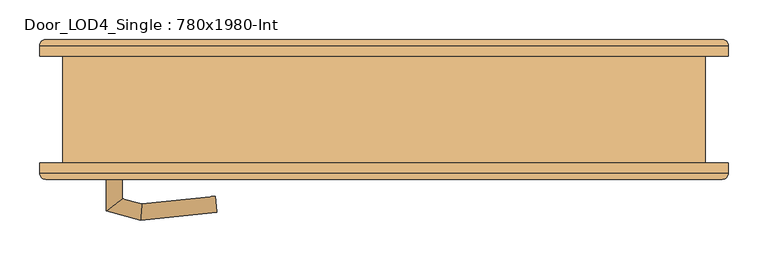
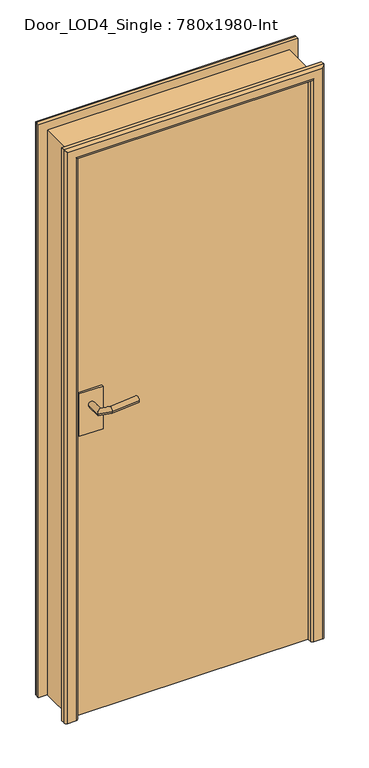
"""IFC4 building model written with IfcOpenShell, lengths in millimetres: door geometry, Door_LOD4_Single : 780x1980-Int."""

from ifc_helpers import new_model, si_unit, frame, origin, origin_with_axes, place, context, project, spatial, polyline, circle_curve, ellipse_curve, outline, extrude, faceted_brep, source, transform, mapped, element, save
from ifc_brep_helpers import plane_surface, cylinder_surface, advanced_brep


def door_lod4_single_780x1980_int_ee7e0fd7(model_context):
    return source(origin(), model_context, "Body", "SolidModel", [
        extrude(outline(polyline([(390.0000156, -27.5), (390.0000156, -67.5), (-390.0000156, -67.5), (-390.0000156, -27.5), (390.0000156, -27.5)])), origin_with_axes(), (0.0, 0.0, 1.0), 1980.0000793),
        advanced_brep(
        [(-350.0000156, -19.5, 1090.0000396), (-330.0000156, -19.5, 1090.0000396), (-350.0000156, 33.1732699, 1090.0000396), (-330.0000156, 17.8267301, 1090.0000396), (-306.9904237, 44.6976553, 1090.0000396), (-305.3947997, 24.4196778, 1090.0000396), (-210.6930713, 34.5736521, 1090.0000396), (-212.7842011, 14.6832731, 1090.0000396)],
        [
            (0, 1, circle_curve(frame((-340.0000156, -19.5, 1090.0000396), z_axis=(0.0, -1.0, 0.0), x_axis=(1.0, 0.0, 0.0)), 10.0)),
            (1, 0, circle_curve(frame((-340.0000156, -19.5, 1090.0000396), z_axis=(0.0, -1.0, 0.0), x_axis=(1.0, 0.0, 0.0)), 10.0)),
            (0, 2),
            (2, 3, ellipse_curve(frame((-340.0000156, 25.5, 1090.0000396), z_axis=(-0.6087614290087403, -0.79335334029122, 0.0), x_axis=(0.7933533402912198, -0.6087614290087406, 0.0)), 12.6047241, 10.0)),
            (3, 1),
            (3, 2, ellipse_curve(frame((-340.0000156, 25.5, 1090.0000396), z_axis=(-0.6087614290087403, -0.79335334029122, 0.0), x_axis=(0.7933533402912198, -0.6087614290087406, 0.0)), 12.6047241, 10.0)),
            (2, 4),
            (4, 5, ellipse_curve(frame((-306.1926117, 34.5586666, 1090.0000396), z_axis=(-0.9969184391323764, -0.07844504903348702, 0.0), x_axis=(0.07844504903348593, -0.9969184391323765, 0.0)), 10.1703292, 10.0)),
            (5, 3),
            (5, 4, ellipse_curve(frame((-306.1926117, 34.5586666, 1090.0000396), z_axis=(-0.9969184391323764, -0.07844504903348702, 0.0), x_axis=(0.07844504903348593, -0.9969184391323765, 0.0)), 10.1703292, 10.0)),
            (6, 7, circle_curve(frame((-211.7386362, 24.6284626, 1090.0000396), z_axis=(0.9945189493358518, -0.10455648909519343, 0.0), x_axis=(-0.10455648909519343, -0.9945189493358518, 0.0)), 10.0)),
            (7, 6, circle_curve(frame((-211.7386362, 24.6284626, 1090.0000396), z_axis=(0.9945189493358518, -0.10455648909519343, 0.0), x_axis=(-0.10455648909519343, -0.9945189493358518, 0.0)), 10.0)),
            (4, 6),
            (7, 5),
        ],
        [
            plane_surface(frame((-340.0000156, -19.5, 1090.0000396), z_axis=(0.0, -1.0, 0.0), x_axis=(0.0, 0.0, 1.0))),
            cylinder_surface(frame((-340.0000156, -19.5, 1090.0000396), z_axis=(0.0, -1.0, 0.0), x_axis=(1.0, 0.0, 0.0)), 10.0),
            cylinder_surface(frame((-340.0000156, 25.5, 1090.0000396), z_axis=(-0.965925826289083, -0.2588190451024665, 0.0), x_axis=(0.2588190451024665, -0.965925826289083, 0.0)), 10.0),
            plane_surface(frame((-211.7386362, 24.6284626, 1090.0000396), z_axis=(0.9945189493358518, -0.10455648909519348, 0.0), x_axis=(0.0, 0.0, 1.0))),
            cylinder_surface(frame((-306.1926117, 34.5586666, 1090.0000396), z_axis=(-0.9945189493358518, 0.10455648909519343, 0.0), x_axis=(-0.10455648909519343, -0.9945189493358518, 0.0)), 10.0),
        ],
        [
            (0, [[1, 2]]),
            (1, [[-1, 3, 4, 5]]),
            (1, [[-2, -5, 6, -3]]),
            (2, [[-4, 7, 8, 9]]),
            (2, [[-6, -9, 10, -7]]),
            (3, [[11, 12]]),
            (4, [[-8, 13, -12, 14]]),
            (4, [[-10, -14, -11, -13]]),
        ],
    ),
        extrude(outline(polyline([(-380.0000156, -19.5), (-300.0000156, -19.5), (-300.0000156, -27.5), (-380.0000156, -27.5), (-380.0000156, -19.5)])), frame((0.0, 0.0, 990.0000396), z_axis=(0.0, 0.0, 1.0), x_axis=(1.0, 0.0, 0.0)), (0.0, 0.0, 1.0), 150.0),
        advanced_brep(
        [(-350.0000156, -75.5, 1090.0000396), (-330.0000156, -75.5, 1090.0000396), (-330.0000156, -112.8267301, 1090.0000396), (-350.0000156, -128.1732699, 1090.0000396), (-305.3947997, -119.4196778, 1090.0000396), (-306.9904237, -139.6976553, 1090.0000396), (-210.6930713, -129.5736521, 1090.0000396), (-212.7842011, -109.6832731, 1090.0000396)],
        [
            (0, 1, circle_curve(frame((-340.0000156, -75.5, 1090.0000396), z_axis=(0.0, 1.0, 0.0), x_axis=(1.0, 0.0, 0.0)), 10.0)),
            (1, 0, circle_curve(frame((-340.0000156, -75.5, 1090.0000396), z_axis=(0.0, 1.0, 0.0), x_axis=(1.0, 0.0, 0.0)), 10.0)),
            (1, 2),
            (2, 3, ellipse_curve(frame((-340.0000156, -120.5, 1090.0000396), z_axis=(-0.6087614290087454, 0.793353340291216, 0.0), x_axis=(0.793353340291216, 0.6087614290087459, 0.0)), 12.6047241, 10.0)),
            (3, 0),
            (3, 2, ellipse_curve(frame((-340.0000156, -120.5, 1090.0000396), z_axis=(-0.6087614290087454, 0.793353340291216, 0.0), x_axis=(0.793353340291216, 0.6087614290087459, 0.0)), 12.6047241, 10.0)),
            (2, 4),
            (4, 5, ellipse_curve(frame((-306.1926117, -129.5586666, 1090.0000396), z_axis=(-0.9969184391323771, 0.07844504903348057, 0.0), x_axis=(0.07844504903348166, 0.9969184391323769, 0.0)), 10.1703292, 10.0)),
            (5, 3),
            (5, 4, ellipse_curve(frame((-306.1926117, -129.5586666, 1090.0000396), z_axis=(-0.9969184391323771, 0.07844504903348057, 0.0), x_axis=(0.07844504903348166, 0.9969184391323769, 0.0)), 10.1703292, 10.0)),
            (6, 7, circle_curve(frame((-211.7386362, -119.6284626, 1090.0000396), z_axis=(0.9945189493358512, 0.10455648909519989, 0.0), x_axis=(-0.10455648909519989, 0.9945189493358512, 0.0)), 10.0)),
            (7, 6, circle_curve(frame((-211.7386362, -119.6284626, 1090.0000396), z_axis=(0.9945189493358512, 0.10455648909519989, 0.0), x_axis=(-0.10455648909519989, 0.9945189493358512, 0.0)), 10.0)),
            (4, 7),
            (6, 5),
        ],
        [
            plane_surface(frame((-340.0000156, -75.5, 1090.0000396), z_axis=(0.0, 1.0, 0.0), x_axis=(0.0, 0.0, 1.0))),
            cylinder_surface(frame((-340.0000156, -75.5, 1090.0000396), z_axis=(0.0, 1.0, 0.0), x_axis=(1.0, 0.0, 0.0)), 10.0),
            cylinder_surface(frame((-340.0000156, -120.5, 1090.0000396), z_axis=(-0.9659258262890846, 0.25881904510246023, 0.0), x_axis=(0.25881904510246023, 0.9659258262890846, 0.0)), 10.0),
            plane_surface(frame((-211.7386362, -119.6284626, 1090.0000396), z_axis=(0.9945189493358512, 0.10455648909519995, 0.0), x_axis=(0.0, 0.0, 1.0))),
            cylinder_surface(frame((-306.1926117, -129.5586666, 1090.0000396), z_axis=(-0.9945189493358512, -0.10455648909519989, 0.0), x_axis=(-0.10455648909519989, 0.9945189493358512, 0.0)), 10.0),
        ],
        [
            (0, [[1, 2]]),
            (1, [[3, 4, 5, -2]]),
            (1, [[-5, 6, -3, -1]]),
            (2, [[7, 8, 9, -4]]),
            (2, [[-9, 10, -7, -6]]),
            (3, [[11, 12]]),
            (4, [[13, -11, 14, -8]]),
            (4, [[-14, -12, -13, -10]]),
        ],
    ),
        extrude(outline(polyline([(-380.0000156, -75.5), (-380.0000156, -67.5), (-300.0000156, -67.5), (-300.0000156, -75.5), (-380.0000156, -75.5)])), frame((0.0, 0.0, 990.0000396), z_axis=(0.0, 0.0, 1.0), x_axis=(1.0, 0.0, 0.0)), (0.0, 0.0, 1.0), 150.0),
        advanced_brep(
        [(390.0000156, -80.1019651, 0.0), (390.0000156, -80.1019651, 1980.0000793), (390.0000156, -67.5, 1980.0000793), (390.0000156, -67.5, 0.0), (398.1091012, -88.2110507, 1988.1091649), (-398.1091012, -88.2110507, 1988.1091649), (-390.0000156, -80.1019651, 1980.0000793), (434.1947001, -67.5, 0.0), (434.1947001, -80.8339685, 0.0), (426.817618, -88.2110507, 0.0), (398.1091012, -88.2110507, 0.0), (-390.0000156, -67.5, 0.0), (-390.0000156, -80.1019651, 0.0), (-398.1091012, -88.2110507, 0.0), (-426.817618, -88.2110507, 0.0), (-434.1947001, -80.8339685, 0.0), (-434.1947001, -67.5, 0.0), (434.1947001, -80.8339685, 2024.1947638), (426.817618, -88.2110507, 2016.8176816), (-390.0000156, -67.5, 1980.0000793), (-434.1947001, -67.5, 2024.1947638), (434.1947001, -67.5, 2024.1947638), (-426.817618, -88.2110507, 2016.8176816), (-434.1947001, -80.8339685, 2024.1947638)],
        [
            (0, 1),
            (1, 2),
            (2, 3),
            (3, 0),
            (4, 5),
            (5, 6, ellipse_curve(frame((-398.1091012, -80.1019651, 1988.1091649), z_axis=(0.7071067811865464, 0.0, 0.7071067811865487), x_axis=(0.7071067811865487, 0.0, -0.7071067811865462)), 11.4679788, 8.1090856)),
            (6, 1),
            (1, 4, ellipse_curve(frame((398.1091012, -80.1019651, 1988.1091649), z_axis=(-0.7071067811865487, 0.0, 0.7071067811865464), x_axis=(0.7071067811865462, 0.0, 0.7071067811865487)), 11.4679788, 8.1090856)),
            (3, 7),
            (7, 8),
            (8, 9, circle_curve(frame((426.817618, -80.8339685, 0.0), z_axis=(0.0, 0.0, -1.0), x_axis=(1.0, 0.0, 0.0)), 7.3770822)),
            (9, 10),
            (10, 0, circle_curve(frame((398.1091012, -80.1019651, 0.0), z_axis=(0.0, 0.0, -1.0), x_axis=(1.0, 0.0, 0.0)), 8.1090856)),
            (11, 12),
            (12, 13, circle_curve(frame((-398.1091012, -80.1019651, 0.0), z_axis=(0.0, 0.0, -1.0), x_axis=(-1.0, 0.0, 0.0)), 8.1090856)),
            (13, 14),
            (14, 15, circle_curve(frame((-426.817618, -80.8339685, 0.0), z_axis=(0.0, 0.0, -1.0), x_axis=(-1.0, 0.0, 0.0)), 7.3770822)),
            (15, 16),
            (16, 11),
            (8, 17),
            (17, 18, ellipse_curve(frame((426.817618, -80.8339685, 2016.8176816), z_axis=(0.7071067811865487, 0.0, -0.7071067811865464), x_axis=(-0.7071067811865462, 0.0, -0.7071067811865487)), 10.4327696, 7.3770822)),
            (18, 9),
            (2, 19),
            (19, 11),
            (16, 20),
            (20, 21),
            (21, 7),
            (21, 17),
            (18, 22),
            (22, 14),
            (13, 5),
            (4, 10),
            (17, 23),
            (23, 22, ellipse_curve(frame((-426.817618, -80.8339685, 2016.8176816), z_axis=(0.7071067811865464, 0.0, 0.7071067811865487), x_axis=(0.7071067811865487, 0.0, -0.7071067811865462)), 10.4327696, 7.3770822)),
            (20, 23),
            (6, 19),
            (23, 15),
            (6, 12),
        ],
        [
            plane_surface(frame((390.0000156, -67.5, 0.0), z_axis=(-1.0, 0.0, 0.0), x_axis=(0.0, 0.0, 1.0))),
            cylinder_surface(frame((390.0000156, -80.1019651, 1988.1091649), z_axis=(1.0, 0.0, 0.0), x_axis=(0.0, 0.0, 1.0)), 8.1090856),
            plane_surface(frame((390.0000156, -67.5, 0.0), z_axis=(0.0, 0.0, -1.0), x_axis=(0.0, -1.0, 0.0))),
            plane_surface(frame((-390.0000156, -67.5, 0.0), z_axis=(0.0, 0.0, -1.0), x_axis=(0.0, -1.0, 0.0))),
            cylinder_surface(frame((426.817618, -80.8339685, 0.0), z_axis=(0.0, 0.0, -1.0), x_axis=(1.0, 0.0, 0.0)), 7.3770822),
            plane_surface(frame((434.1947001, -67.5, 0.0), z_axis=(0.0, 1.0, 0.0), x_axis=(0.0, 0.0, 1.0))),
            plane_surface(frame((434.1947001, -80.8339685, 0.0), z_axis=(1.0, 0.0, 0.0), x_axis=(0.0, 0.0, 1.0))),
            plane_surface(frame((398.1091012, -88.2110507, 0.0), z_axis=(0.0, -1.0, 0.0), x_axis=(0.0, 0.0, 1.0))),
            cylinder_surface(frame((390.0000156, -80.8339685, 2016.8176816), z_axis=(1.0, 0.0, 0.0), x_axis=(0.0, 0.0, 1.0)), 7.3770822),
            plane_surface(frame((434.1947001, -80.8339685, 2024.1947638), z_axis=(0.0, 0.0, 1.0), x_axis=(-1.0, 0.0, 0.0))),
            plane_surface(frame((390.0000156, -67.5, 1980.0000793), z_axis=(0.0, 0.0, -1.0), x_axis=(-1.0, 0.0, 0.0))),
            cylinder_surface(frame((-426.817618, -80.8339685, 1980.0000793), z_axis=(0.0, 0.0, 1.0), x_axis=(-1.0, 0.0, 0.0)), 7.3770822),
            plane_surface(frame((-434.1947001, -80.8339685, 2024.1947638), z_axis=(-1.0, 0.0, 0.0), x_axis=(0.0, 0.0, -1.0))),
            plane_surface(frame((-390.0000156, -67.5, 1980.0000793), z_axis=(1.0, 0.0, 0.0), x_axis=(0.0, 0.0, -1.0))),
            cylinder_surface(frame((398.1091012, -80.1019651, 0.0), z_axis=(0.0, 0.0, -1.0), x_axis=(1.0, 0.0, 0.0)), 8.1090856),
            cylinder_surface(frame((-398.1091012, -80.1019651, 1980.0000793), z_axis=(0.0, 0.0, 1.0), x_axis=(-1.0, 0.0, 0.0)), 8.1090856),
        ],
        [
            (0, [[1, 2, 3, 4]]),
            (1, [[5, 6, 7, 8]]),
            (2, [[9, 10, 11, 12, 13, -4]]),
            (3, [[14, 15, 16, 17, 18, 19]]),
            (4, [[20, 21, 22, -11]]),
            (5, [[-3, 23, 24, -19, 25, 26, 27, -9]]),
            (6, [[-27, 28, -20, -10]]),
            (7, [[-22, 29, 30, -16, 31, -5, 32, -12]]),
            (8, [[33, 34, -29, -21]]),
            (9, [[-26, 35, -33, -28]]),
            (10, [[-7, 36, -23, -2]]),
            (11, [[37, -17, -30, -34]]),
            (12, [[-25, -18, -37, -35]]),
            (13, [[38, -14, -24, -36]]),
            (14, [[-32, -8, -1, -13]]),
            (15, [[-31, -15, -38, -6]]),
        ],
    ),
        advanced_brep(
        [(-390.0000156, 80.1019651, 0.0), (-390.0000156, 80.1019651, 1980.0000793), (-390.0000156, 67.5, 1980.0000793), (-390.0000156, 67.5, 0.0), (-398.1091012, 88.2110507, 1988.1091649), (398.1091012, 88.2110507, 1988.1091649), (390.0000156, 80.1019651, 1980.0000793), (-434.1947001, 67.5, 0.0), (-434.1947001, 80.8339685, 0.0), (-426.817618, 88.2110507, 0.0), (-398.1091012, 88.2110507, 0.0), (390.0000156, 67.5, 0.0), (390.0000156, 80.1019651, 0.0), (398.1091012, 88.2110507, 0.0), (426.817618, 88.2110507, 0.0), (434.1947001, 80.8339685, 0.0), (434.1947001, 67.5, 0.0), (-434.1947001, 80.8339685, 2024.1947638), (-426.817618, 88.2110507, 2016.8176816), (390.0000156, 67.5, 1980.0000793), (434.1947001, 67.5, 2024.1947638), (-434.1947001, 67.5, 2024.1947638), (426.817618, 88.2110507, 2016.8176816), (434.1947001, 80.8339685, 2024.1947638)],
        [
            (0, 1),
            (1, 2),
            (2, 3),
            (3, 0),
            (4, 5),
            (5, 6, ellipse_curve(frame((398.1091012, 80.1019651, 1988.1091649), z_axis=(-0.7071067811865464, 0.0, 0.7071067811865487), x_axis=(-0.7071067811865487, 0.0, -0.7071067811865462)), 11.4679788, 8.1090856)),
            (6, 1),
            (1, 4, ellipse_curve(frame((-398.1091012, 80.1019651, 1988.1091649), z_axis=(0.7071067811865487, 0.0, 0.7071067811865464), x_axis=(-0.7071067811865462, 0.0, 0.7071067811865487)), 11.4679788, 8.1090856)),
            (3, 7),
            (7, 8),
            (8, 9, circle_curve(frame((-426.817618, 80.8339685, 0.0), z_axis=(0.0, 0.0, -1.0), x_axis=(-1.0, 0.0, 0.0)), 7.3770822)),
            (9, 10),
            (10, 0, circle_curve(frame((-398.1091012, 80.1019651, 0.0), z_axis=(0.0, 0.0, -1.0), x_axis=(-1.0, 0.0, 0.0)), 8.1090856)),
            (11, 12),
            (12, 13, circle_curve(frame((398.1091012, 80.1019651, 0.0), z_axis=(0.0, 0.0, -1.0), x_axis=(1.0, 0.0, 0.0)), 8.1090856)),
            (13, 14),
            (14, 15, circle_curve(frame((426.817618, 80.8339685, 0.0), z_axis=(0.0, 0.0, -1.0), x_axis=(1.0, 0.0, 0.0)), 7.3770822)),
            (15, 16),
            (16, 11),
            (8, 17),
            (17, 18, ellipse_curve(frame((-426.817618, 80.8339685, 2016.8176816), z_axis=(-0.7071067811865487, 0.0, -0.7071067811865464), x_axis=(0.7071067811865462, 0.0, -0.7071067811865487)), 10.4327696, 7.3770822)),
            (18, 9),
            (2, 19),
            (19, 11),
            (16, 20),
            (20, 21),
            (21, 7),
            (21, 17),
            (18, 22),
            (22, 14),
            (13, 5),
            (4, 10),
            (17, 23),
            (23, 22, ellipse_curve(frame((426.817618, 80.8339685, 2016.8176816), z_axis=(-0.7071067811865464, 0.0, 0.7071067811865487), x_axis=(-0.7071067811865487, 0.0, -0.7071067811865462)), 10.4327696, 7.3770822)),
            (20, 23),
            (6, 19),
            (23, 15),
            (6, 12),
        ],
        [
            plane_surface(frame((-390.0000156, 67.5, 0.0), z_axis=(1.0, 0.0, 0.0), x_axis=(0.0, 0.0, 1.0))),
            cylinder_surface(frame((-390.0000156, 80.1019651, 1988.1091649), z_axis=(-1.0, 0.0, 0.0), x_axis=(0.0, 0.0, 1.0)), 8.1090856),
            plane_surface(frame((-390.0000156, 67.5, 0.0), z_axis=(0.0, 0.0, -1.0), x_axis=(0.0, 1.0, 0.0))),
            plane_surface(frame((390.0000156, 67.5, 0.0), z_axis=(0.0, 0.0, -1.0), x_axis=(0.0, 1.0, 0.0))),
            cylinder_surface(frame((-426.817618, 80.8339685, 0.0), z_axis=(0.0, 0.0, -1.0), x_axis=(-1.0, 0.0, 0.0)), 7.3770822),
            plane_surface(frame((-434.1947001, 67.5, 0.0), z_axis=(0.0, -1.0, 0.0), x_axis=(0.0, 0.0, 1.0))),
            plane_surface(frame((-434.1947001, 80.8339685, 0.0), z_axis=(-1.0, 0.0, 0.0), x_axis=(0.0, 0.0, 1.0))),
            plane_surface(frame((-398.1091012, 88.2110507, 0.0), z_axis=(0.0, 1.0, 0.0), x_axis=(0.0, 0.0, 1.0))),
            cylinder_surface(frame((-390.0000156, 80.8339685, 2016.8176816), z_axis=(-1.0, 0.0, 0.0), x_axis=(0.0, 0.0, 1.0)), 7.3770822),
            plane_surface(frame((-434.1947001, 80.8339685, 2024.1947638), z_axis=(0.0, 0.0, 1.0), x_axis=(1.0, 0.0, 0.0))),
            plane_surface(frame((-390.0000156, 67.5, 1980.0000793), z_axis=(0.0, 0.0, -1.0), x_axis=(1.0, 0.0, 0.0))),
            cylinder_surface(frame((426.817618, 80.8339685, 1980.0000793), z_axis=(0.0, 0.0, 1.0), x_axis=(1.0, 0.0, 0.0)), 7.3770822),
            plane_surface(frame((434.1947001, 80.8339685, 2024.1947638), z_axis=(1.0, 0.0, 0.0), x_axis=(0.0, 0.0, -1.0))),
            plane_surface(frame((390.0000156, 67.5, 1980.0000793), z_axis=(-1.0, 0.0, 0.0), x_axis=(0.0, 0.0, -1.0))),
            cylinder_surface(frame((-398.1091012, 80.1019651, 0.0), z_axis=(0.0, 0.0, -1.0), x_axis=(-1.0, 0.0, 0.0)), 8.1090856),
            cylinder_surface(frame((398.1091012, 80.1019651, 1980.0000793), z_axis=(0.0, 0.0, 1.0), x_axis=(1.0, 0.0, 0.0)), 8.1090856),
        ],
        [
            (0, [[1, 2, 3, 4]]),
            (1, [[5, 6, 7, 8]]),
            (2, [[9, 10, 11, 12, 13, -4]]),
            (3, [[14, 15, 16, 17, 18, 19]]),
            (4, [[20, 21, 22, -11]]),
            (5, [[-3, 23, 24, -19, 25, 26, 27, -9]]),
            (6, [[-27, 28, -20, -10]]),
            (7, [[-22, 29, 30, -16, 31, -5, 32, -12]]),
            (8, [[33, 34, -29, -21]]),
            (9, [[-26, 35, -33, -28]]),
            (10, [[-7, 36, -23, -2]]),
            (11, [[37, -17, -30, -34]]),
            (12, [[-25, -18, -37, -35]]),
            (13, [[38, -14, -24, -36]]),
            (14, [[-32, -8, -1, -13]]),
            (15, [[-31, -15, -38, -6]]),
        ],
    ),
        extrude(outline(polyline([(1980.0000793, -390.0000156), (0.0, -390.0000156), (0.0, -370.0000156), (1960.0000793, -370.0000156), (1960.0000793, 370.0000156), (0.0, 370.0000156), (0.0, 390.0000156), (1980.0000793, 390.0000156), (1980.0000793, -390.0000156)])), frame((0.0, -27.5, 0.0), z_axis=(0.0, 1.0, 0.0), x_axis=(0.0, 0.0, 1.0)), (0.0, 0.0, 1.0), 80.0),
        faceted_brep([(-405.0000156, 67.5, 1995.0000793), (405.0000156, 67.5, 1995.0000793), (405.0000156, 67.5, 0.0), (390.0000156, 67.5, 0.0), (390.0000156, 67.5, 1980.0000793), (-390.0000156, 67.5, 1980.0000793), (-390.0000156, 67.5, 0.0), (-405.0000156, 67.5, 0.0), (-405.0000156, -67.5, 1995.0000793), (-405.0000156, -67.5, 0.0), (-390.0000156, -67.5, 0.0), (-390.0000156, -67.5, 1980.0000793), (390.0000156, -67.5, 1980.0000793), (390.0000156, -67.5, 0.0), (405.0000156, -67.5, 0.0), (405.0000156, -67.5, 1995.0000793), (-390.0000156, 52.5, 0.0), (-390.0000156, 52.5, 1980.0000793), (390.0000156, 52.5, 1980.0000793), (390.0000156, 52.5, 0.0)], [[[0, 1, 2, 3, 4, 5, 6, 7]], [[8, 9, 10, 11, 12, 13, 14, 15]], [[7, 9, 8, 0]], [[6, 16, 10, 9, 7]], [[5, 17, 11, 10, 16, 6]], [[4, 18, 12, 11, 17, 5]], [[3, 19, 13, 12, 18, 4]], [[2, 14, 13, 19, 3]], [[1, 15, 14, 2]], [[0, 8, 15, 1]]]),
    ])


if __name__ == "__main__":
    model = new_model("IFC4")
    model_context = context("Model", 3, world=origin())
    ifc_project = project(units=[si_unit("LENGTHUNIT", "METRE", prefix="MILLI")], contexts=[model_context])
    site = spatial("IfcSite", under=ifc_project)
    building = spatial("IfcBuilding", under=site)
    placement = place(None, origin())
    door_lod4_single_780x1980_int_shape = door_lod4_single_780x1980_int_ee7e0fd7(model_context)
    element("IfcDoor", 1, ObjectType="Door_LOD4_Single : 780x1980-Int", at=placement, inside=building, context=model_context, shape_type="MappedRepresentation", body=[
        mapped(door_lod4_single_780x1980_int_shape, transform((0.0, 0.0, 0.0), x_axis=(1.0, 0.0, 0.0), y_axis=(0.0, 1.0, 0.0), z_axis=(0.0, 0.0, 1.0))),
    ])
    save(model, "model.ifc")
